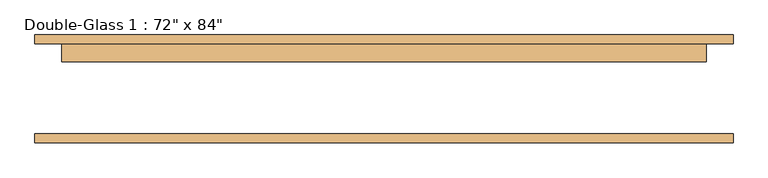
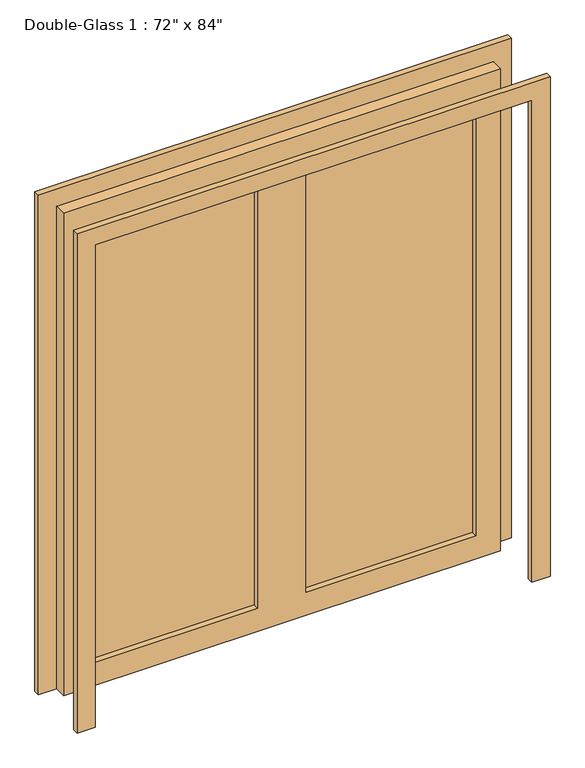
"""IFC4 building model written with IfcOpenShell, lengths in millimetres: door geometry."""

from ifc_helpers import new_model, si_unit, frame, origin, place, context, project, spatial, polyline, outline, extrude, source, transform, mapped, element, save


def door_24523e97(model_context):
    return source(origin(), model_context, "Body", "SweptSolid", [
        extrude(outline(polyline([(0.0, 990.6), (2209.8, 990.6), (2209.8, -990.6), (0.0, -990.6), (0.0, -914.4), (2133.6, -914.4), (2133.6, 914.4), (0.0, 914.4), (0.0, 990.6)])), frame((0.0, -150.49375, 0.0), z_axis=(0.0, 1.0, 0.0), x_axis=(0.0, 0.0, 1.0)), (0.0, 0.0, 1.0), 25.4),
        extrude(outline(polyline([(2133.6, 914.4), (0.0, 914.4), (0.0, 990.6), (2209.8, 990.6), (2209.8, -990.6), (0.0, -990.6), (0.0, -914.4), (2133.6, -914.4), (2133.6, 914.4)])), frame((0.0, 129.85625, 0.0), z_axis=(0.0, 1.0, 0.0), x_axis=(0.0, 0.0, 1.0)), (0.0, 0.0, 1.0), 25.4),
        extrude(outline(polyline([(812.8, 104.45625), (101.6, 104.45625), (101.6, 111.6), (812.8, 111.6), (812.8, 104.45625)])), frame((0.0, 0.0, 101.6), z_axis=(0.0, 0.0, 1.0), x_axis=(1.0, 0.0, 0.0)), (0.0, 0.0, 1.0), 1930.4),
        extrude(outline(polyline([(-101.6, 104.45625), (-812.8, 104.45625), (-812.8, 111.6), (-101.6, 111.6), (-101.6, 104.45625)])), frame((0.0, 0.0, 101.6), z_axis=(0.0, 0.0, 1.0), x_axis=(1.0, 0.0, 0.0)), (0.0, 0.0, 1.0), 1930.4),
        extrude(outline(polyline([(2133.6, 914.4), (2133.6, -914.4), (0.0, -914.4), (0.0, 914.4), (2133.6, 914.4)]), holes=[polyline([(2032.0, -101.6), (101.6, -101.6), (101.6, -812.8), (2032.0, -812.8), (2032.0, -101.6)]), polyline([(2032.0, 812.8), (101.6, 812.8), (101.6, 101.6), (2032.0, 101.6), (2032.0, 812.8)])]), frame((0.0, 79.05625, 0.0), z_axis=(0.0, 1.0, 0.0), x_axis=(0.0, 0.0, 1.0)), (0.0, 0.0, 1.0), 50.8),
    ])


if __name__ == "__main__":
    model = new_model("IFC4")
    model_context = context("Model", 3, world=origin())
    ifc_project = project(units=[si_unit("LENGTHUNIT", "METRE", prefix="MILLI")], contexts=[model_context])
    site = spatial("IfcSite", under=ifc_project)
    building = spatial("IfcBuilding", under=site)
    placement = place(None, origin())
    door_shape = door_24523e97(model_context)
    element("IfcDoor", 1, ObjectType="Double-Glass 1 : 72\" x 84\"", at=placement, inside=building, context=model_context, shape_type="MappedRepresentation", body=[
        mapped(door_shape, transform((0.0, 0.0, 0.0), x_axis=(1.0, 0.0, 0.0), y_axis=(0.0, 1.0, 0.0), z_axis=(0.0, 0.0, 1.0))),
    ])
    save(model, "model.ifc")
